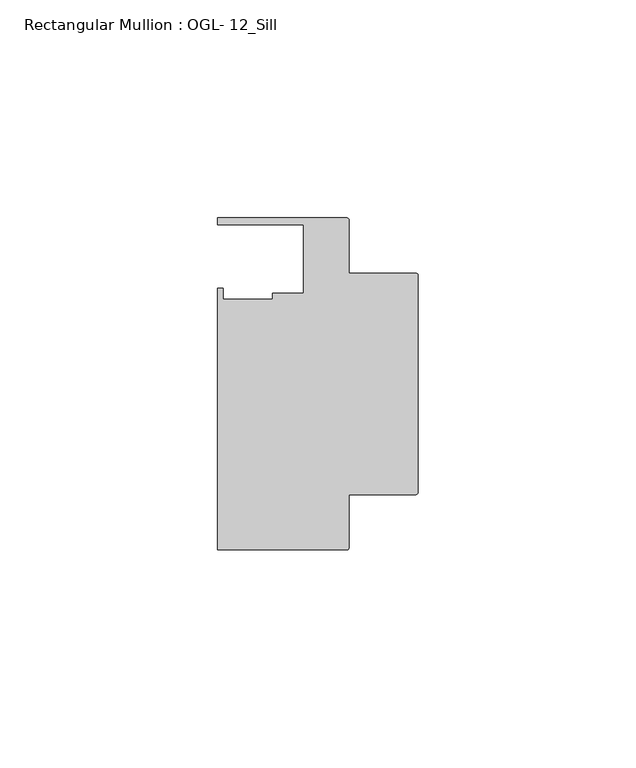
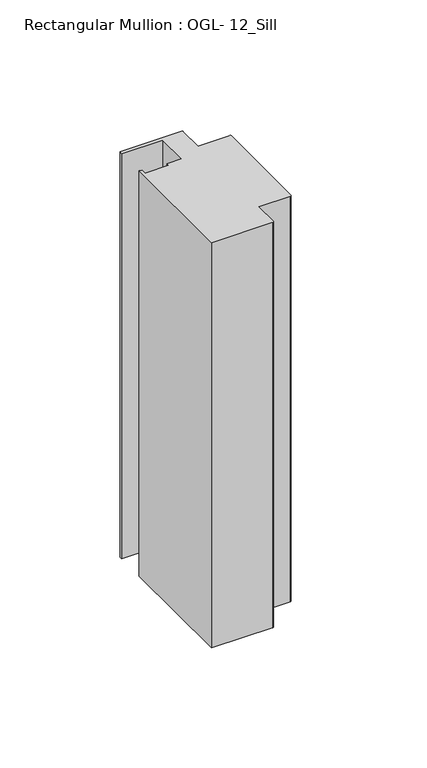
"""IFC4 building model written with IfcOpenShell, lengths in millimetres: member geometry, Rectangular Mullion : OGL- 12_Sill."""

import ifcopenshell
import ifcopenshell.guid

model = None  # the IFC model being written
_history = None  # IfcOwnerHistory: only IFC2X3 demands one
_inside = {}  # id of a spatial element -> (the spatial element, [elements in it])
_under = {}  # id of a project, library or spatial element -> (it, [spatial elements below it])
_declared = {}  # id of a project -> (the project, [libraries it declares])
_typed = {}  # id of a type object -> (the type object, [elements of that type])
_made_of = {}  # id of a material, layer set ... -> (it, [elements and type objects made of it])


def new_model(schema):
    """Start an empty IFC model of exactly this schema.

    Asked for "IFC4X3", IfcOpenShell would pick the latest addendum, in which some entities
    have other attributes; the version numbers below select the first issue.
    IFC2X3 requires an IfcOwnerHistory on every rooted entity: one is made here for all.
    """
    global model, _history
    if schema == "IFC4X3":
        model = ifcopenshell.file(schema_version=(4, 3, 0, 0))
    else:
        model = ifcopenshell.file(schema=schema)
    _inside.clear()
    _under.clear()
    _declared.clear()
    _typed.clear()
    _made_of.clear()
    _history = None
    if model.schema == "IFC2X3":
        org = make("IfcOrganization", Name="unknown")
        user = make(
            "IfcPersonAndOrganization",
            ThePerson=make("IfcPerson", FamilyName="unknown"),
            TheOrganization=org,
        )
        app = make(
            "IfcApplication",
            ApplicationDeveloper=org,
            Version="unknown",
            ApplicationFullName="unknown",
            ApplicationIdentifier="unknown",
        )
        _history = make(
            "IfcOwnerHistory",
            OwningUser=user,
            OwningApplication=app,
            ChangeAction="ADDED",
            CreationDate=0,
        )
    return model


def make(cls, **values):
    """One entity of the class cls with the attributes given. An attribute that is None is left unset."""
    return model.create_entity(
        cls, **{name: value for name, value in values.items() if value is not None}
    )


def rooted(cls, **values):
    """An entity with a GlobalId (a new one), such as an element, a storey or a relation."""
    return make(cls, GlobalId=ifcopenshell.guid.new(), OwnerHistory=_history, **values)


def si_unit(unit_type, name, prefix=None):
    """IfcSIUnit, for example si_unit("LENGTHUNIT", "METRE", prefix="MILLI")."""
    return make("IfcSIUnit", UnitType=unit_type, Prefix=prefix, Name=name)


def assignment(units):
    """IfcUnitAssignment: the units of a project."""
    return None if units is None else make("IfcUnitAssignment", Units=units)


def point(xyz):
    """IfcCartesianPoint."""
    return None if xyz is None else make("IfcCartesianPoint", Coordinates=xyz)


def direction(xyz):
    """IfcDirection."""
    return None if xyz is None else make("IfcDirection", DirectionRatios=xyz)


def frame(location, z_axis=None, x_axis=None):
    """IfcAxis2Placement3D, a coordinate frame: its origin and axes. An axis left out is left unset."""
    return make(
        "IfcAxis2Placement3D",
        Location=point(location),
        Axis=direction(z_axis),
        RefDirection=direction(x_axis),
    )


def frame_2d(location, x_axis=None):
    """IfcAxis2Placement2D, a coordinate frame in the plane: its origin and x axis."""
    return make(
        "IfcAxis2Placement2D", Location=point(location), RefDirection=direction(x_axis)
    )


def origin():
    """The frame at (0, 0, 0) with its axes left unset."""
    return frame((0.0, 0.0, 0.0))


def place(relative_to, where):
    """IfcLocalPlacement: puts the frame where relative to a parent placement (None: the world)."""
    return make(
        "IfcLocalPlacement", PlacementRelTo=relative_to, RelativePlacement=where
    )


def context(
    kind, dimensions, precision=None, world=None, true_north=None, identifier=None
):
    """IfcGeometricRepresentationContext, for example the 3D "Model" context."""
    return make(
        "IfcGeometricRepresentationContext",
        ContextIdentifier=identifier,
        ContextType=kind,
        CoordinateSpaceDimension=dimensions,
        Precision=precision,
        WorldCoordinateSystem=world,
        TrueNorth=true_north,
    )


def project(units=None, contexts=None):
    """IfcProject with its units and contexts."""
    return rooted(
        "IfcProject",
        Name="project",
        RepresentationContexts=contexts,
        UnitsInContext=assignment(units),
    )


def spatial(cls, under=None, at=None, **own):
    """A site, building, storey or space (cls), placed at a placement, below another one or the project."""
    s = rooted(cls, ObjectPlacement=at, **own)
    if under is not None:
        _under.setdefault(under.id(), (under, []))[1].append(s)
    return s


def polyline(points):
    """IfcPolyline through the points."""
    return make("IfcPolyline", Points=[point(p) for p in points])


def circle_curve(where, radius):
    """IfcCircle in the frame where."""
    return make("IfcCircle", Position=where, Radius=radius)


def trimmed(basis, trim1, trim2, sense, master):
    """IfcTrimmedCurve: the piece of a basis curve between two trims."""
    return make(
        "IfcTrimmedCurve",
        BasisCurve=basis,
        Trim1=trim1,
        Trim2=trim2,
        SenseAgreement=sense,
        MasterRepresentation=master,
    )


def segment(curve, same_sense, transition):
    """IfcCompositeCurveSegment."""
    return make(
        "IfcCompositeCurveSegment",
        Transition=transition,
        SameSense=same_sense,
        ParentCurve=curve,
    )


def composite_curve(segments, self_intersect=None):
    """IfcCompositeCurve: segments joined end to end."""
    return make("IfcCompositeCurve", Segments=segments, SelfIntersect=self_intersect)


def outline(outer, holes=None, kind="AREA"):
    """IfcArbitraryClosedProfileDef: a profile drawn as a closed curve; with holes, ...WithVoids."""
    if holes is None:
        return make("IfcArbitraryClosedProfileDef", ProfileType=kind, OuterCurve=outer)
    return make(
        "IfcArbitraryProfileDefWithVoids",
        ProfileType=kind,
        OuterCurve=outer,
        InnerCurves=holes,
    )


def extrude(swept, where, along, depth):
    """IfcExtrudedAreaSolid: the profile swept, set in the frame where, extruded along a direction by depth."""
    return make(
        "IfcExtrudedAreaSolid",
        SweptArea=swept,
        Position=where,
        ExtrudedDirection=direction(along),
        Depth=depth,
    )


def shape(context_of_items, identifier, shape_type, items):
    """IfcShapeRepresentation: the items that make up one representation, for example the "Body"."""
    return make(
        "IfcShapeRepresentation",
        ContextOfItems=context_of_items,
        RepresentationIdentifier=identifier,
        RepresentationType=shape_type,
        Items=items,
    )


def source(mapping_origin, context_of_items, identifier, shape_type, items):
    """IfcRepresentationMap: a shape defined once, which mapped items show again and again."""
    return make(
        "IfcRepresentationMap",
        MappingOrigin=mapping_origin,
        MappedRepresentation=shape(context_of_items, identifier, shape_type, items),
    )


def transform(
    local_origin,
    x_axis=None,
    y_axis=None,
    z_axis=None,
    scale=None,
    scale2=None,
    scale3=None,
    uniform=True,
):
    """IfcCartesianTransformationOperator3D, or its non-uniform kind. x_axis, y_axis, z_axis: its Axis1, 2, 3."""
    if uniform:
        return make(
            "IfcCartesianTransformationOperator3D",
            Axis1=direction(x_axis),
            Axis2=direction(y_axis),
            LocalOrigin=point(local_origin),
            Scale=scale,
            Axis3=direction(z_axis),
        )
    return make(
        "IfcCartesianTransformationOperator3DnonUniform",
        Axis1=direction(x_axis),
        Axis2=direction(y_axis),
        LocalOrigin=point(local_origin),
        Scale=scale,
        Axis3=direction(z_axis),
        Scale2=scale2,
        Scale3=scale3,
    )


def mapped(mapping_source, mapping_target):
    """IfcMappedItem: shows the shape of a source again, moved by a transform."""
    return make(
        "IfcMappedItem", MappingSource=mapping_source, MappingTarget=mapping_target
    )


def made_of(thing, what):
    """Note that an element or type object is made of a material, layer set ...; save() writes the relation."""
    if what is not None:
        _made_of.setdefault(what.id(), (what, []))[1].append(thing)
    return thing


def element(
    cls,
    number,
    at=None,
    inside=None,
    cuts=None,
    type_object=None,
    material=None,
    context=None,
    identifier="Body",
    shape_type=None,
    held_by="IfcProductDefinitionShape",
    body=None,
    shapes=None,
    **own,
):
    """One element of the class cls, such as IfcWall. Its Tag is "e" and its number.

    at: its placement. inside: the storey or other place that contains it. cuts: it is an
    opening in that element (IfcRelVoidsElement). A single representation is given by context,
    identifier, shape_type and body (its items); several are given by shapes. held_by: the class
    of the entity that holds the representations. save() writes the other relations.
    """
    e = rooted(cls, Tag="e%d" % number, ObjectPlacement=at, **own)
    if body is not None:
        shapes = [shape(context, identifier, shape_type, body)]
    if shapes is not None:
        e.Representation = make(held_by, Representations=shapes)
    if inside is not None:
        _inside.setdefault(inside.id(), (inside, []))[1].append(e)
    if cuts is not None:
        rooted(
            "IfcRelVoidsElement", RelatingBuildingElement=cuts, RelatedOpeningElement=e
        )
    if type_object is not None:
        _typed.setdefault(type_object.id(), (type_object, []))[1].append(e)
    return made_of(e, material)


def aggregate(whole, parts):
    """IfcRelAggregates: a whole, such as a stair, and the parts it consists of."""
    return rooted("IfcRelAggregates", RelatingObject=whole, RelatedObjects=parts)


def save(model, path):
    """Write the relations noted so far, then the file.

    IfcRelAggregates (storeys below a building ...), IfcRelContainedInSpatialStructure (elements
    in a storey), IfcRelDefinesByType, IfcRelAssociatesMaterial and IfcRelDeclares: one each for
    every whole, place, type object, material and project.
    """
    for whole, parts in _under.values():
        aggregate(whole, parts)
    for where, things in _inside.values():
        rooted(
            "IfcRelContainedInSpatialStructure",
            RelatedElements=things,
            RelatingStructure=where,
        )
    for kind, things in _typed.values():
        rooted("IfcRelDefinesByType", RelatedObjects=things, RelatingType=kind)
    for what, things in _made_of.values():
        rooted("IfcRelAssociatesMaterial", RelatedObjects=things, RelatingMaterial=what)
    for by, libraries in _declared.values():
        rooted("IfcRelDeclares", RelatingContext=by, RelatedDefinitions=libraries)
    model.write(path)


def rectangular_mullion_ogl_12_sill_3a37c55a(model_context):
    return source(origin(), model_context, "Body", "SweptSolid", [
        extrude(outline(composite_curve([segment(polyline([(-0.5953125, -25.4), (-15.8750672, -25.4), (-15.8750672, -37.5043667)]), True, "CONTINUOUS"), segment(trimmed(circle_curve(frame_2d((-16.4703797, -37.5043667)), 0.5953125), [point((-15.8750672, -37.5043667))], [point((-16.4703797, -38.0996792))], False, "CARTESIAN"), True, "CONTINUOUS"), segment(polyline([(-16.4703797, -38.0996792), (-46.0339598, -38.0996792), (-46.0339598, 21.9710976), (-44.7780305, 21.9710976), (-44.7780305, 19.4824275), (-33.3985545, 19.4824275), (-33.3985545, 20.8257348), (-26.3720794, 20.8257348), (-26.3720794, 36.512516), (-46.0248655, 36.512516), (-46.0248655, 38.100016), (-16.4703797, 38.100016)]), True, "CONTINUOUS"), segment(trimmed(circle_curve(frame_2d((-16.4703797, 37.5047035)), 0.5953125), [point((-16.4703797, 38.100016))], [point((-15.8750672, 37.5047035))], False, "CARTESIAN"), True, "CONTINUOUS"), segment(polyline([(-15.8750672, 37.5047035), (-15.8750672, 25.4), (-0.5953125, 25.4)]), True, "CONTINUOUS"), segment(trimmed(circle_curve(frame_2d((-0.5953125, 24.8046875)), 0.5953125), [point((-0.5953125, 25.4))], [point((0.0, 24.8046875))], False, "CARTESIAN"), True, "CONTINUOUS"), segment(polyline([(0.0, 24.8046875), (0.0, -24.8046875)]), True, "CONTINUOUS"), segment(trimmed(circle_curve(frame_2d((-0.5953125, -24.8046875)), 0.5953125), [point((0.0, -24.8046875))], [point((-0.5953125, -25.4))], False, "CARTESIAN"), True, "CONTINUOUS")], self_intersect=False)), frame((0.0, 0.0, -206.0963909), z_axis=(0.0, 0.0, 1.0), x_axis=(1.0, 0.0, 0.0)), (0.0, 0.0, 1.0), 206.0963909),
    ])


if __name__ == "__main__":
    model = new_model("IFC4")
    model_context = context("Model", 3, world=origin())
    ifc_project = project(units=[si_unit("LENGTHUNIT", "METRE", prefix="MILLI")], contexts=[model_context])
    site = spatial("IfcSite", under=ifc_project)
    building = spatial("IfcBuilding", under=site)
    placement = place(None, origin())
    rectangular_mullion_ogl_12_sill_shape = rectangular_mullion_ogl_12_sill_3a37c55a(model_context)
    element("IfcMember", 1, ObjectType="Rectangular Mullion : OGL- 12_Sill", at=placement, inside=building, context=model_context, shape_type="MappedRepresentation", body=[
        mapped(rectangular_mullion_ogl_12_sill_shape, transform((0.0, 0.0, 0.0), x_axis=(1.0, 0.0, 0.0), y_axis=(0.0, 1.0, 0.0), z_axis=(0.0, 0.0, 1.0))),
    ])
    save(model, "model.ifc")
